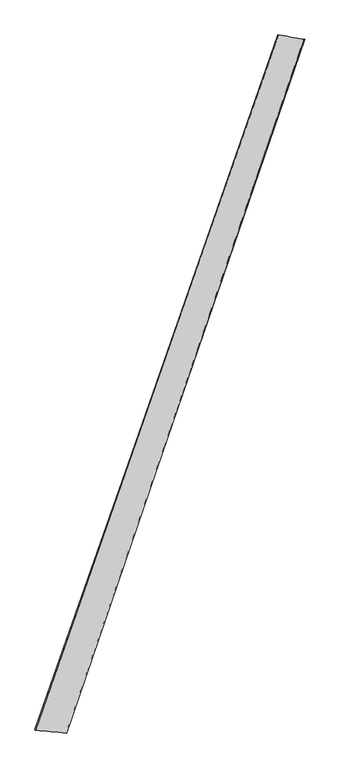
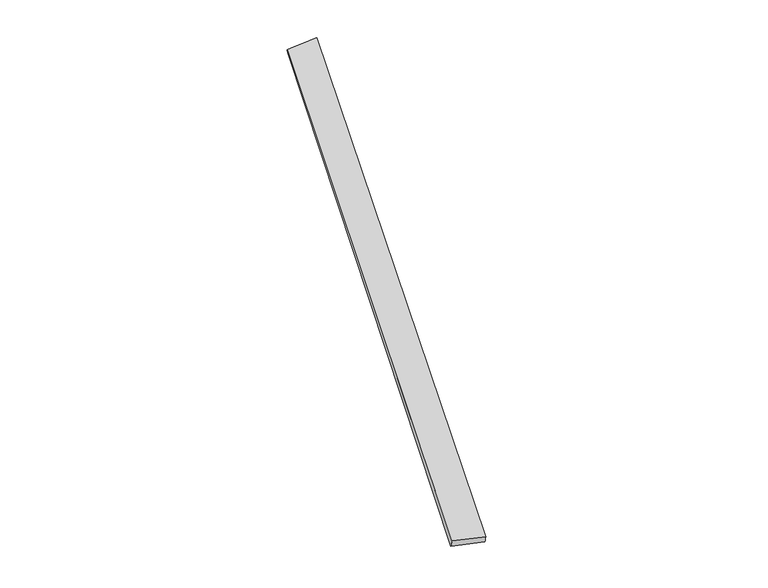
"""IFC4 building model written with IfcOpenShell, lengths in millimetres: proxy geometry."""

import ifcopenshell
import ifcopenshell.guid

model = None  # the IFC model being written
_history = None  # IfcOwnerHistory: only IFC2X3 demands one
_inside = {}  # id of a spatial element -> (the spatial element, [elements in it])
_under = {}  # id of a project, library or spatial element -> (it, [spatial elements below it])
_declared = {}  # id of a project -> (the project, [libraries it declares])
_typed = {}  # id of a type object -> (the type object, [elements of that type])
_made_of = {}  # id of a material, layer set ... -> (it, [elements and type objects made of it])


def new_model(schema):
    """Start an empty IFC model of exactly this schema.

    Asked for "IFC4X3", IfcOpenShell would pick the latest addendum, in which some entities
    have other attributes; the version numbers below select the first issue.
    IFC2X3 requires an IfcOwnerHistory on every rooted entity: one is made here for all.
    """
    global model, _history
    if schema == "IFC4X3":
        model = ifcopenshell.file(schema_version=(4, 3, 0, 0))
    else:
        model = ifcopenshell.file(schema=schema)
    _inside.clear()
    _under.clear()
    _declared.clear()
    _typed.clear()
    _made_of.clear()
    _history = None
    if model.schema == "IFC2X3":
        org = make("IfcOrganization", Name="unknown")
        user = make(
            "IfcPersonAndOrganization",
            ThePerson=make("IfcPerson", FamilyName="unknown"),
            TheOrganization=org,
        )
        app = make(
            "IfcApplication",
            ApplicationDeveloper=org,
            Version="unknown",
            ApplicationFullName="unknown",
            ApplicationIdentifier="unknown",
        )
        _history = make(
            "IfcOwnerHistory",
            OwningUser=user,
            OwningApplication=app,
            ChangeAction="ADDED",
            CreationDate=0,
        )
    return model


def make(cls, **values):
    """One entity of the class cls with the attributes given. An attribute that is None is left unset."""
    return model.create_entity(
        cls, **{name: value for name, value in values.items() if value is not None}
    )


def rooted(cls, **values):
    """An entity with a GlobalId (a new one), such as an element, a storey or a relation."""
    return make(cls, GlobalId=ifcopenshell.guid.new(), OwnerHistory=_history, **values)


def si_unit(unit_type, name, prefix=None):
    """IfcSIUnit, for example si_unit("LENGTHUNIT", "METRE", prefix="MILLI")."""
    return make("IfcSIUnit", UnitType=unit_type, Prefix=prefix, Name=name)


def assignment(units):
    """IfcUnitAssignment: the units of a project."""
    return None if units is None else make("IfcUnitAssignment", Units=units)


def point(xyz):
    """IfcCartesianPoint."""
    return None if xyz is None else make("IfcCartesianPoint", Coordinates=xyz)


def direction(xyz):
    """IfcDirection."""
    return None if xyz is None else make("IfcDirection", DirectionRatios=xyz)


def frame(location, z_axis=None, x_axis=None):
    """IfcAxis2Placement3D, a coordinate frame: its origin and axes. An axis left out is left unset."""
    return make(
        "IfcAxis2Placement3D",
        Location=point(location),
        Axis=direction(z_axis),
        RefDirection=direction(x_axis),
    )


def origin():
    """The frame at (0, 0, 0) with its axes left unset."""
    return frame((0.0, 0.0, 0.0))


def place(relative_to, where):
    """IfcLocalPlacement: puts the frame where relative to a parent placement (None: the world)."""
    return make(
        "IfcLocalPlacement", PlacementRelTo=relative_to, RelativePlacement=where
    )


def context(
    kind, dimensions, precision=None, world=None, true_north=None, identifier=None
):
    """IfcGeometricRepresentationContext, for example the 3D "Model" context."""
    return make(
        "IfcGeometricRepresentationContext",
        ContextIdentifier=identifier,
        ContextType=kind,
        CoordinateSpaceDimension=dimensions,
        Precision=precision,
        WorldCoordinateSystem=world,
        TrueNorth=true_north,
    )


def project(units=None, contexts=None):
    """IfcProject with its units and contexts."""
    return rooted(
        "IfcProject",
        Name="project",
        RepresentationContexts=contexts,
        UnitsInContext=assignment(units),
    )


def spatial(cls, under=None, at=None, **own):
    """A site, building, storey or space (cls), placed at a placement, below another one or the project."""
    s = rooted(cls, ObjectPlacement=at, **own)
    if under is not None:
        _under.setdefault(under.id(), (under, []))[1].append(s)
    return s


def shape(context_of_items, identifier, shape_type, items):
    """IfcShapeRepresentation: the items that make up one representation, for example the "Body"."""
    return make(
        "IfcShapeRepresentation",
        ContextOfItems=context_of_items,
        RepresentationIdentifier=identifier,
        RepresentationType=shape_type,
        Items=items,
    )


def source(mapping_origin, context_of_items, identifier, shape_type, items):
    """IfcRepresentationMap: a shape defined once, which mapped items show again and again."""
    return make(
        "IfcRepresentationMap",
        MappingOrigin=mapping_origin,
        MappedRepresentation=shape(context_of_items, identifier, shape_type, items),
    )


def transform(
    local_origin,
    x_axis=None,
    y_axis=None,
    z_axis=None,
    scale=None,
    scale2=None,
    scale3=None,
    uniform=True,
):
    """IfcCartesianTransformationOperator3D, or its non-uniform kind. x_axis, y_axis, z_axis: its Axis1, 2, 3."""
    if uniform:
        return make(
            "IfcCartesianTransformationOperator3D",
            Axis1=direction(x_axis),
            Axis2=direction(y_axis),
            LocalOrigin=point(local_origin),
            Scale=scale,
            Axis3=direction(z_axis),
        )
    return make(
        "IfcCartesianTransformationOperator3DnonUniform",
        Axis1=direction(x_axis),
        Axis2=direction(y_axis),
        LocalOrigin=point(local_origin),
        Scale=scale,
        Axis3=direction(z_axis),
        Scale2=scale2,
        Scale3=scale3,
    )


def mapped(mapping_source, mapping_target):
    """IfcMappedItem: shows the shape of a source again, moved by a transform."""
    return make(
        "IfcMappedItem", MappingSource=mapping_source, MappingTarget=mapping_target
    )


def made_of(thing, what):
    """Note that an element or type object is made of a material, layer set ...; save() writes the relation."""
    if what is not None:
        _made_of.setdefault(what.id(), (what, []))[1].append(thing)
    return thing


def element(
    cls,
    number,
    at=None,
    inside=None,
    cuts=None,
    type_object=None,
    material=None,
    context=None,
    identifier="Body",
    shape_type=None,
    held_by="IfcProductDefinitionShape",
    body=None,
    shapes=None,
    **own,
):
    """One element of the class cls, such as IfcWall. Its Tag is "e" and its number.

    at: its placement. inside: the storey or other place that contains it. cuts: it is an
    opening in that element (IfcRelVoidsElement). A single representation is given by context,
    identifier, shape_type and body (its items); several are given by shapes. held_by: the class
    of the entity that holds the representations. save() writes the other relations.
    """
    e = rooted(cls, Tag="e%d" % number, ObjectPlacement=at, **own)
    if body is not None:
        shapes = [shape(context, identifier, shape_type, body)]
    if shapes is not None:
        e.Representation = make(held_by, Representations=shapes)
    if inside is not None:
        _inside.setdefault(inside.id(), (inside, []))[1].append(e)
    if cuts is not None:
        rooted(
            "IfcRelVoidsElement", RelatingBuildingElement=cuts, RelatedOpeningElement=e
        )
    if type_object is not None:
        _typed.setdefault(type_object.id(), (type_object, []))[1].append(e)
    return made_of(e, material)


def aggregate(whole, parts):
    """IfcRelAggregates: a whole, such as a stair, and the parts it consists of."""
    return rooted("IfcRelAggregates", RelatingObject=whole, RelatedObjects=parts)


def save(model, path):
    """Write the relations noted so far, then the file.

    IfcRelAggregates (storeys below a building ...), IfcRelContainedInSpatialStructure (elements
    in a storey), IfcRelDefinesByType, IfcRelAssociatesMaterial and IfcRelDeclares: one each for
    every whole, place, type object, material and project.
    """
    for whole, parts in _under.values():
        aggregate(whole, parts)
    for where, things in _inside.values():
        rooted(
            "IfcRelContainedInSpatialStructure",
            RelatedElements=things,
            RelatingStructure=where,
        )
    for kind, things in _typed.values():
        rooted("IfcRelDefinesByType", RelatedObjects=things, RelatingType=kind)
    for what, things in _made_of.values():
        rooted("IfcRelAssociatesMaterial", RelatedObjects=things, RelatingMaterial=what)
    for by, libraries in _declared.values():
        rooted("IfcRelDeclares", RelatingContext=by, RelatedDefinitions=libraries)
    model.write(path)


def spline_surface(u_degree, v_degree, points, u_multiplicities, v_multiplicities, u_knots, v_knots, weights=None):
    """IfcBSplineSurfaceWithKnots; with weights, IfcRationalBSplineSurfaceWithKnots. points: one row for each step in u."""
    own = dict(
        UDegree=u_degree,
        VDegree=v_degree,
        ControlPointsList=[[point(p) for p in row] for row in points],
        SurfaceForm="UNSPECIFIED",
        UClosed=False,
        VClosed=False,
        SelfIntersect=False,
        UMultiplicities=u_multiplicities,
        VMultiplicities=v_multiplicities,
        UKnots=u_knots,
        VKnots=v_knots,
        KnotSpec="UNSPECIFIED",
    )
    if weights is None:
        return make("IfcBSplineSurfaceWithKnots", **own)
    return make("IfcRationalBSplineSurfaceWithKnots", WeightsData=weights, **own)


def advanced_brep(points, edges, surfaces, faces):
    """IfcAdvancedBrep: a solid bounded by faces that lie on surfaces and meet in shared edges.

    An edge is (start, end): straight between two places in points (the first is 0);
    or (start, end, curve); or (start, end, curve, False) where it runs against its curve.
    A face is (place in surfaces, loops), or (place, loops, False) where it looks against
    its surface's normal. A loop lists edges by number (the first is 1), with a minus sign
    where the edge is run from its end to its start. The first loop is the outer one.
    """
    corners = [point(p) for p in points]
    vertices = [make("IfcVertexPoint", VertexGeometry=c) for c in corners]
    made = []
    for start, end, *more in edges:
        made.append(
            make(
                "IfcEdgeCurve",
                EdgeStart=vertices[start],
                EdgeEnd=vertices[end],
                EdgeGeometry=more[0] if more else make("IfcPolyline", Points=[corners[start], corners[end]]),
                SameSense=more[1] if len(more) > 1 else True,
            )
        )
    hull = []
    for where, loops, *sense in faces:
        bounds = []
        for j, loop in enumerate(loops):
            ring = [make("IfcOrientedEdge", EdgeElement=made[abs(k) - 1], Orientation=k > 0) for k in loop]
            bounds.append(
                make(
                    "IfcFaceOuterBound" if j == 0 else "IfcFaceBound",
                    Bound=make("IfcEdgeLoop", EdgeList=ring),
                    Orientation=True,
                )
            )
        hull.append(make("IfcAdvancedFace", Bounds=bounds, FaceSurface=surfaces[where], SameSense=sense[0] if sense else True))
    return make("IfcAdvancedBrep", Outer=make("IfcClosedShell", CfsFaces=hull))


def generic_models_f9e4e8d5(model_context):
    return source(origin(), model_context, "Body", "AdvancedBrep", [
        advanced_brep(
        [(-695.4297938, -1761.7554777, 13.5018155), (-690.6084331, -1763.2306693, 43.0750854), (678.4141211, 2163.9148754, 13.4310887), (684.7034339, 2161.4840545, -15.8013531), (-516.4509456, -1779.8777085, 16.1517769), (825.5265766, 2140.2755325, 45.2495537), (-520.449081, -1778.2753692, -13.5374033), (831.1754409, 2138.5467925, 15.8369409)],
        [
            (0, 1),
            (1, 2),
            (2, 3),
            (3, 0),
            (1, 4),
            (4, 5),
            (5, 2),
            (4, 6),
            (6, 7),
            (7, 5),
            (6, 0),
            (3, 7),
        ],
        [
            spline_surface(1, 1, [[(-695.4297938, -1761.7554777, 13.5018155), (684.7034339, 2161.4840545, -15.8013531)], [(-690.6084331, -1763.2306693, 43.0750854), (678.4141211, 2163.9148754, 13.4310887)]], [2, 2], [2, 2], [0.0, 1.0], [0.0, 1.0]),
            spline_surface(1, 1, [[(-690.6084331, -1763.2306693, 43.0750854), (678.4141211, 2163.9148754, 13.4310887)], [(-516.4509456, -1779.8777085, 16.1517769), (825.5265766, 2140.2755325, 45.2495537)]], [2, 2], [2, 2], [0.0, 1.0], [0.0, 1.0]),
            spline_surface(1, 1, [[(-516.4509456, -1779.8777085, 16.1517769), (825.5265766, 2140.2755325, 45.2495537)], [(-520.449081, -1778.2753692, -13.5374033), (831.1754409, 2138.5467925, 15.8369409)]], [2, 2], [2, 2], [0.0, 1.0], [0.0, 1.0]),
            spline_surface(1, 1, [[(-520.449081, -1778.2753692, -13.5374033), (831.1754409, 2138.5467925, 15.8369409)], [(-695.4297938, -1761.7554777, 13.5018155), (684.7034339, 2161.4840545, -15.8013531)]], [2, 2], [2, 2], [0.0, 1.0], [0.0, 1.0]),
            spline_surface(1, 1, [[(678.4141211, 2163.9148754, 13.4310887), (684.7034339, 2161.4840545, -15.8013531)], [(825.5265766, 2140.2755325, 45.2495537), (831.1754409, 2138.5467925, 15.8369409)]], [2, 2], [2, 2], [0.0, 1.0], [0.0, 1.0]),
            spline_surface(1, 1, [[(-520.449081, -1778.2753692, -13.5374033), (-695.4297938, -1761.7554777, 13.5018155)], [(-516.4509456, -1779.8777085, 16.1517769), (-690.6084331, -1763.2306693, 43.0750854)]], [2, 2], [2, 2], [0.0, 1.0], [0.0, 1.0]),
        ],
        [
            (0, [[1, 2, 3, 4]]),
            (1, [[5, 6, 7, -2]]),
            (2, [[8, 9, 10, -6]]),
            (3, [[11, -4, 12, -9]]),
            (4, [[-3, -7, -10, -12]]),
            (5, [[-11, -8, -5, -1]]),
        ],
    ),
    ])


if __name__ == "__main__":
    model = new_model("IFC4")
    model_context = context("Model", 3, world=origin())
    ifc_project = project(units=[si_unit("LENGTHUNIT", "METRE", prefix="MILLI")], contexts=[model_context])
    site = spatial("IfcSite", under=ifc_project)
    building = spatial("IfcBuilding", under=site)
    placement = place(None, origin())
    generic_models_shape = generic_models_f9e4e8d5(model_context)
    element("IfcBuildingElementProxy", 1, Name="Generic Models", at=placement, inside=building, context=model_context, shape_type="MappedRepresentation", body=[
        mapped(generic_models_shape, transform((0.0, 0.0, 0.0), x_axis=(1.0, 0.0, 0.0), y_axis=(0.0, 1.0, 0.0), z_axis=(0.0, 0.0, 1.0))),
    ])
    save(model, "model.ifc")
